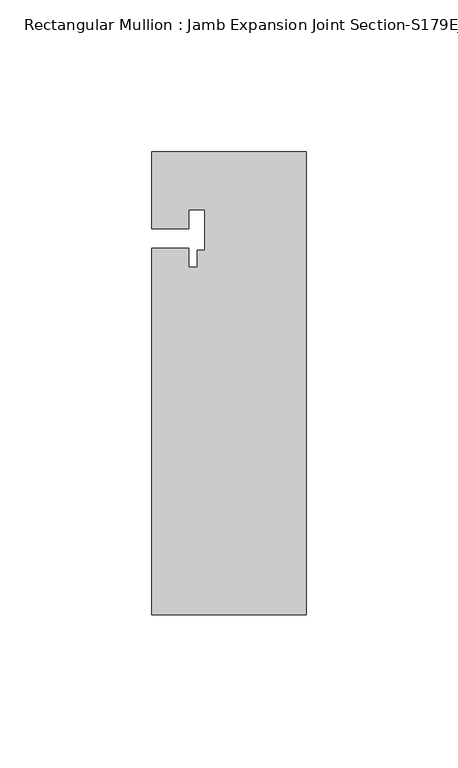
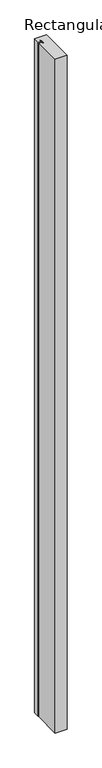
"""IFC4 building model written with IfcOpenShell, lengths in millimetres: member geometry, Rectangular Mullion : Jamb Expansion Joint Section-S179EJ214."""

from ifc_helpers import new_model, si_unit, frame, origin, place, context, project, spatial, polyline, outline, extrude, source, transform, mapped, element, save


def rectangular_mullion_jamb_expansion_joint_section_s179ej214_2a430535(model_context):
    return source(origin(), model_context, "Body", "SweptSolid", [
        extrude(outline(polyline([(0.0, 0.0), (0.0, -152.4), (-50.8, -152.4), (-50.8, -31.75), (-38.6177949, -31.75), (-38.6177949, -38.093775), (-35.8902, -38.093775), (-35.8902, -32.429575), (-33.35, -32.429575), (-33.35, -19.05), (-38.6177949, -19.05), (-38.6177949, -25.4), (-50.8, -25.4), (-50.8, 0.0), (0.0, 0.0)])), frame((0.0, 0.0, -3048.0), z_axis=(0.0, 0.0, 1.0), x_axis=(1.0, 0.0, 0.0)), (0.0, 0.0, 1.0), 3048.0),
    ])


if __name__ == "__main__":
    model = new_model("IFC4")
    model_context = context("Model", 3, world=origin())
    ifc_project = project(units=[si_unit("LENGTHUNIT", "METRE", prefix="MILLI")], contexts=[model_context])
    site = spatial("IfcSite", under=ifc_project)
    building = spatial("IfcBuilding", under=site)
    placement = place(None, origin())
    rectangular_mullion_jamb_expansion_joint_section_s179ej214_shape = rectangular_mullion_jamb_expansion_joint_section_s179ej214_2a430535(model_context)
    element("IfcMember", 1, ObjectType="Rectangular Mullion : Jamb Expansion Joint Section-S179EJ214", at=placement, inside=building, context=model_context, shape_type="MappedRepresentation", body=[
        mapped(rectangular_mullion_jamb_expansion_joint_section_s179ej214_shape, transform((0.0, 0.0, 0.0), x_axis=(1.0, 0.0, 0.0), y_axis=(0.0, 1.0, 0.0), z_axis=(0.0, 0.0, 1.0))),
    ])
    save(model, "model.ifc")
